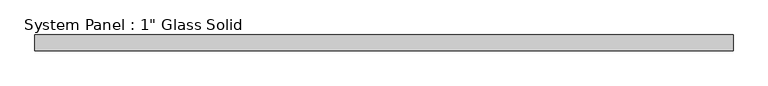
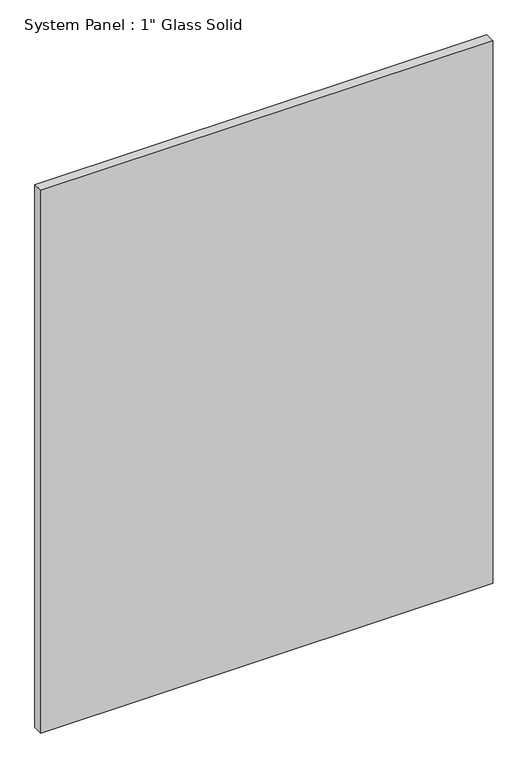
"""IFC4 building model written with IfcOpenShell, lengths in millimetres: plate geometry."""

from ifc_helpers import new_model, si_unit, origin, origin_with_axes, place, context, project, spatial, polyline, outline, extrude, source, transform, mapped, element, save


def plate_ba38b3fa(model_context):
    return source(origin(), model_context, "Body", "SweptSolid", [
        extrude(outline(polyline([(562.5555865, -12.7), (-562.5555865, -12.7), (-562.5555865, 12.7), (562.5555865, 12.7), (562.5555865, -12.7)])), origin_with_axes(), (0.0, 0.0, 1.0), 1428.6394027),
    ])


if __name__ == "__main__":
    model = new_model("IFC4")
    model_context = context("Model", 3, world=origin())
    ifc_project = project(units=[si_unit("LENGTHUNIT", "METRE", prefix="MILLI")], contexts=[model_context])
    site = spatial("IfcSite", under=ifc_project)
    building = spatial("IfcBuilding", under=site)
    placement = place(None, origin())
    plate_shape = plate_ba38b3fa(model_context)
    element("IfcPlate", 1, ObjectType="System Panel : 1\" Glass Solid", at=placement, inside=building, context=model_context, shape_type="MappedRepresentation", body=[
        mapped(plate_shape, transform((0.0, 0.0, 0.0), x_axis=(1.0, 0.0, 0.0), y_axis=(0.0, 1.0, 0.0), z_axis=(0.0, 0.0, 1.0))),
    ])
    save(model, "model.ifc")
